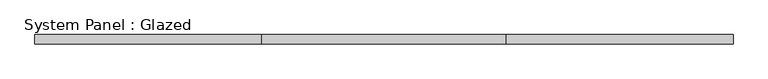
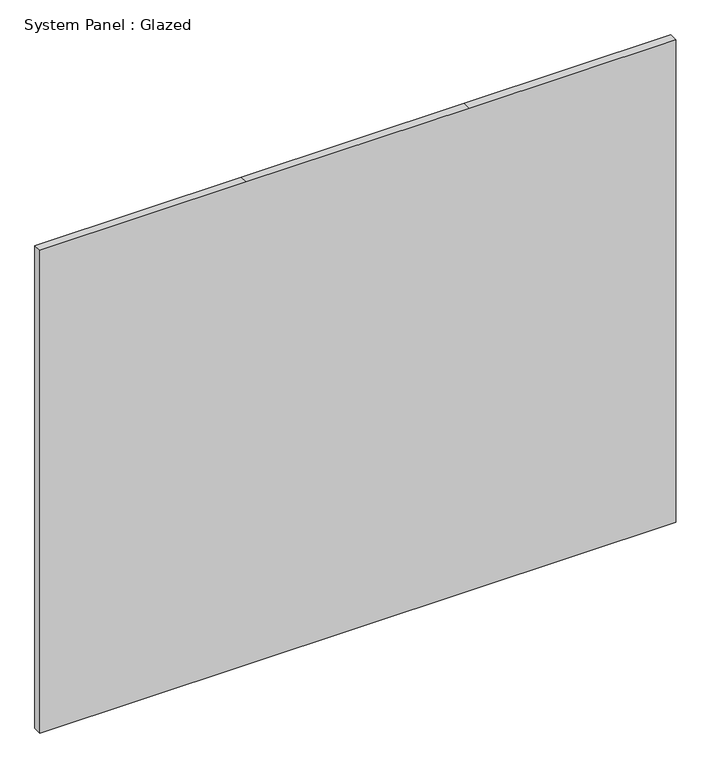
"""IFC4 building model written with IfcOpenShell, lengths in millimetres: plate geometry, System Panel : Glazed."""

from ifc_helpers import new_model, si_unit, frame, origin, place, context, project, spatial, polyline, outline, extrude, source, transform, mapped, element, save


def system_panel_glazed_0bf9145b(model_context):
    return source(origin(), model_context, "Body", "SweptSolid", [
        extrude(outline(polyline([(0.0, -965.2), (0.0, -338.6666667), (0.0, 338.6666667), (0.0, 965.2), (1549.4, 965.2), (1549.4, 338.6666667), (1549.4, -338.6666667), (1549.4, -965.2), (0.0, -965.2)])), frame((0.0, -12.7, 0.0), z_axis=(0.0, 1.0, 0.0), x_axis=(0.0, 0.0, 1.0)), (0.0, 0.0, 1.0), 25.4),
    ])


if __name__ == "__main__":
    model = new_model("IFC4")
    model_context = context("Model", 3, world=origin())
    ifc_project = project(units=[si_unit("LENGTHUNIT", "METRE", prefix="MILLI")], contexts=[model_context])
    site = spatial("IfcSite", under=ifc_project)
    building = spatial("IfcBuilding", under=site)
    placement = place(None, origin())
    system_panel_glazed_shape = system_panel_glazed_0bf9145b(model_context)
    element("IfcPlate", 1, ObjectType="System Panel : Glazed", at=placement, inside=building, context=model_context, shape_type="MappedRepresentation", body=[
        mapped(system_panel_glazed_shape, transform((0.0, 0.0, 0.0), x_axis=(1.0, 0.0, 0.0), y_axis=(0.0, 1.0, 0.0), z_axis=(0.0, 0.0, 1.0))),
    ])
    save(model, "model.ifc")
